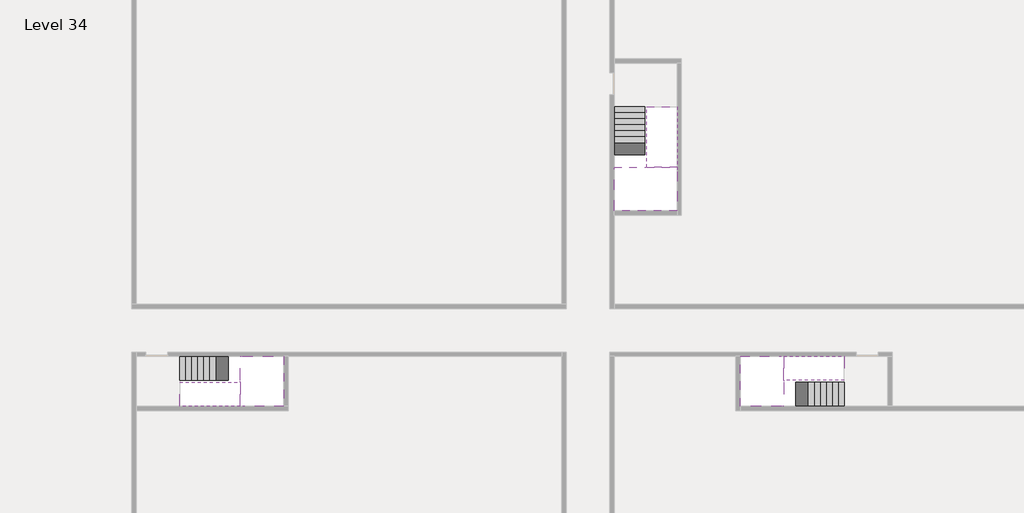
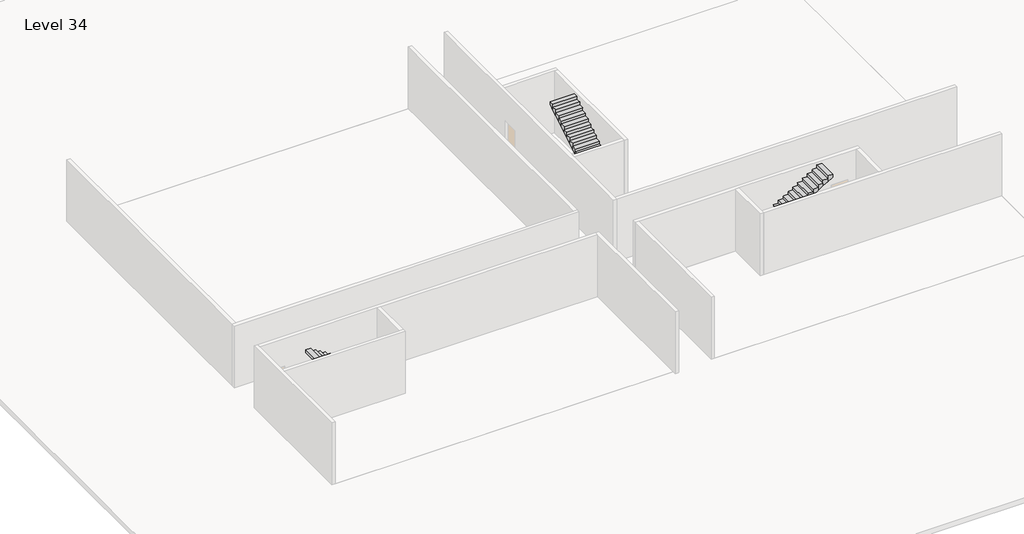
# One storey, part 2 of 2: 6 stair flights, 3 slabs.
"""IFC4 building model written with IfcOpenShell, lengths in millimetres."""

from ifc_helpers import new_model, si_unit, origin, place, context, project, spatial, faceted_brep, element, save

model = new_model("IFC4")

# Units and contexts
model_context = context("Model", 3, world=origin())
ifc_project = project(units=[si_unit("LENGTHUNIT", "METRE", prefix="MILLI")], contexts=[model_context])

# Site, building, storey
site = spatial("IfcSite", under=ifc_project)
building = spatial("IfcBuilding", under=site)
storey = spatial("IfcBuildingStorey", under=building, Name="Level 34", Elevation=125400.0)

# Slabs
placement = place(None, origin())
element("IfcSlab", 1, at=placement, inside=storey, context=model_context, shape_type="Brep", body=[
    faceted_brep([(8190.1058784, -42918.09644, 127300.0), (8190.1058784, -44018.09644, 127300.0), (8190.1058784, -44118.09644, 127300.0), (8190.1058784, -45218.09644, 127300.0), (8390.7194421, -45218.09644, 127300.0), (10190.1058784, -45218.09644, 127300.0), (10190.1058784, -42918.09644, 127300.0), (8269.4923146, -42918.09644, 127300.0), (8190.1058784, -42918.09644, 127127.2727273), (8190.1058784, -42918.09644, 126951.0278478), (8190.1058784, -44018.09644, 126951.0278478), (8190.1058784, -44018.09644, 127000.0), (8190.1058784, -44118.09644, 127000.0), (8190.1058784, -44118.09644, 127123.7551205), (8190.1058784, -45218.09644, 127123.7551205), (8390.7194421, -45218.09644, 127000.0), (10190.1058784, -45218.09644, 127000.0), (10190.1058784, -42918.09644, 127000.0), (8269.4923146, -42918.09644, 127000.0), (8390.7194421, -44118.09644, 127000.0), (8269.4923146, -44018.09644, 127000.0)], [[[0, 1, 2, 3, 4, 5, 6, 7]], [[1, 0, 8, 9, 10, 11]], [[2, 1, 11, 12, 13]], [[3, 2, 13, 14]], [[3, 14, 15, 16, 5, 4]], [[6, 5, 16, 17]], [[9, 8, 0, 7, 6, 17, 18]], [[19, 12, 11, 20, 18, 17, 16, 15]], [[12, 19, 13]], [[18, 20, 10, 9]], [[20, 11, 10]], [[19, 15, 14, 13]]]),
])
element("IfcSlab", 2, at=placement, inside=storey, context=model_context, shape_type="Brep", body=[
    faceted_brep([(33190.1058784, -45218.09644, 127300.0), (33190.1058784, -44118.09644, 127300.0), (33190.1058784, -44018.09644, 127300.0), (33190.1058784, -42918.09644, 127300.0), (32989.4923146, -42918.09644, 127300.0), (31190.1058784, -42918.09644, 127300.0), (31190.1058784, -45218.09644, 127300.0), (33110.7194421, -45218.09644, 127300.0), (33190.1058784, -45218.09644, 127127.2727273), (33190.1058784, -45218.09644, 126951.0278478), (33190.1058784, -44118.09644, 126951.0278478), (33190.1058784, -44118.09644, 127000.0), (33190.1058784, -44018.09644, 127000.0), (33190.1058784, -44018.09644, 127123.7551205), (33190.1058784, -42918.09644, 127123.7551205), (32989.4923146, -42918.09644, 127000.0), (31190.1058784, -42918.09644, 127000.0), (31190.1058784, -45218.09644, 127000.0), (33110.7194421, -45218.09644, 127000.0), (32989.4923146, -44018.09644, 127000.0), (33110.7194421, -44118.09644, 127000.0)], [[[0, 1, 2, 3, 4, 5, 6, 7]], [[1, 0, 8, 9, 10, 11]], [[2, 1, 11, 12, 13]], [[3, 2, 13, 14]], [[3, 14, 15, 16, 5, 4]], [[6, 5, 16, 17]], [[9, 8, 0, 7, 6, 17, 18]], [[19, 12, 11, 20, 18, 17, 16, 15]], [[12, 19, 13]], [[18, 20, 10, 9]], [[20, 11, 10]], [[19, 15, 14, 13]]]),
])
element("IfcSlab", 3, at=placement, inside=storey, context=model_context, shape_type="Brep", body=[
    faceted_brep([(26790.1058784, -34218.09644, 127300.0), (25390.1058784, -34218.09644, 127300.0), (25390.1058784, -34297.4828763, 127300.0), (25390.1058784, -36218.09644, 127300.0), (28290.1058784, -36218.09644, 127300.0), (28290.1058784, -34418.7100038, 127300.0), (28290.1058784, -34218.09644, 127300.0), (26890.1058784, -34218.09644, 127300.0), (26790.1058784, -34218.09644, 127000.0), (26790.1058784, -34218.09644, 126951.0278478), (25390.1058784, -34218.09644, 126951.0278478), (25390.1058784, -34218.09644, 127127.2727273), (25390.1058784, -34297.4828763, 127000.0), (25390.1058784, -36218.09644, 127000.0), (28290.1058784, -36218.09644, 127000.0), (28290.1058784, -34418.7100038, 127000.0), (28290.1058784, -34218.09644, 127123.7551205), (26890.1058784, -34218.09644, 127123.7551205), (26890.1058784, -34218.09644, 127000.0), (26890.1058784, -34418.7100038, 127000.0), (26790.1058784, -34297.4828763, 127000.0)], [[[0, 1, 2, 3, 4, 5, 6, 7]], [[1, 0, 8, 9, 10, 11]], [[1, 11, 10, 12, 13, 3, 2]], [[4, 3, 13, 14]], [[4, 14, 15, 16, 6, 5]], [[7, 6, 16, 17]], [[0, 7, 17, 18, 8]], [[18, 19, 15, 14, 13, 12, 20, 8]], [[19, 18, 17]], [[20, 12, 10, 9]], [[8, 20, 9]], [[15, 19, 17, 16]]]),
])

# Stair flights
element("IfcStairFlight", 4, at=placement, inside=storey, context=model_context, shape_type="Brep", body=[
    faceted_brep([(5670.1058784, -42918.09644, 125572.7272727), (5390.1058784, -42918.09644, 125572.7272727), (5390.1058784, -44018.09644, 125572.7272727), (5670.1058784, -44018.09644, 125572.7272727), (5670.1058784, -42918.09644, 125400.0), (5390.1058784, -42918.09644, 125400.0), (5390.1058784, -44018.09644, 125400.0), (5670.1058784, -44018.09644, 125400.0), (5950.1058784, -42918.09644, 125745.4545455), (5670.1058784, -42918.09644, 125745.4545455), (5670.1058784, -44018.09644, 125745.4545455), (5950.1058784, -44018.09644, 125745.4545455), (5950.1058784, -42918.09644, 125569.209666), (5675.8081041, -42918.09644, 125400.0), (5675.8081041, -44018.09644, 125400.0), (5950.1058784, -44018.09644, 125569.209666), (6230.1058784, -42918.09644, 125918.1818182), (5950.1058784, -42918.09644, 125918.1818182), (5950.1058784, -44018.09644, 125918.1818182), (6230.1058784, -44018.09644, 125918.1818182), (6230.1058784, -42918.09644, 125741.9369387), (6230.1058784, -44018.09644, 125741.9369387), (6510.1058784, -42918.09644, 126090.9090909), (6230.1058784, -42918.09644, 126090.9090909), (6230.1058784, -44018.09644, 126090.9090909), (6510.1058784, -44018.09644, 126090.9090909), (6510.1058784, -42918.09644, 125914.6642114), (6510.1058784, -44018.09644, 125914.6642114), (6790.1058784, -42918.09644, 126263.6363636), (6510.1058784, -42918.09644, 126263.6363636), (6510.1058784, -44018.09644, 126263.6363636), (6790.1058784, -44018.09644, 126263.6363636), (6790.1058784, -42918.09644, 126087.3914841), (6790.1058784, -44018.09644, 126087.3914841), (7070.1058784, -42918.09644, 126436.3636364), (6790.1058784, -42918.09644, 126436.3636364), (6790.1058784, -44018.09644, 126436.3636364), (7070.1058784, -44018.09644, 126436.3636364), (7070.1058784, -42918.09644, 126260.1187569), (7070.1058784, -44018.09644, 126260.1187569), (7350.1058784, -42918.09644, 126609.0909091), (7070.1058784, -42918.09644, 126609.0909091), (7070.1058784, -44018.09644, 126609.0909091), (7350.1058784, -44018.09644, 126609.0909091), (7350.1058784, -42918.09644, 126432.8460296), (7350.1058784, -44018.09644, 126432.8460296), (7630.1058784, -42918.09644, 126781.8181818), (7350.1058784, -42918.09644, 126781.8181818), (7350.1058784, -44018.09644, 126781.8181818), (7630.1058784, -44018.09644, 126781.8181818), (7630.1058784, -42918.09644, 126605.5733023), (7630.1058784, -44018.09644, 126605.5733023), (7910.1058784, -42918.09644, 126954.5454545), (7630.1058784, -42918.09644, 126954.5454545), (7630.1058784, -44018.09644, 126954.5454545), (7910.1058784, -44018.09644, 126954.5454545), (7910.1058784, -42918.09644, 126778.3005751), (7910.1058784, -44018.09644, 126778.3005751), (8190.1058784, -42918.09644, 127127.2727273), (7910.1058784, -42918.09644, 127127.2727273), (7910.1058784, -44018.09644, 127127.2727273), (8190.1058784, -44018.09644, 127127.2727273), (8190.1058784, -42918.09644, 126951.0278478), (8190.1058784, -44018.09644, 126951.0278478), (8190.1058784, -44018.09644, 127000.0)], [[[0, 1, 2, 3]], [[1, 0, 4, 5]], [[2, 1, 5, 6]], [[3, 2, 6, 7]], [[8, 9, 10, 11]], [[4, 0, 9, 8, 12, 13]], [[0, 3, 10, 9]], [[3, 7, 14, 15, 11, 10]], [[16, 17, 18, 19]], [[17, 16, 20, 12, 8]], [[8, 11, 18, 17]], [[19, 18, 11, 15, 21]], [[22, 23, 24, 25]], [[23, 22, 26, 20, 16]], [[16, 19, 24, 23]], [[25, 24, 19, 21, 27]], [[28, 29, 30, 31]], [[29, 28, 32, 26, 22]], [[22, 25, 30, 29]], [[31, 30, 25, 27, 33]], [[34, 35, 36, 37]], [[35, 34, 38, 32, 28]], [[28, 31, 36, 35]], [[37, 36, 31, 33, 39]], [[40, 41, 42, 43]], [[41, 40, 44, 38, 34]], [[34, 37, 42, 41]], [[43, 42, 37, 39, 45]], [[46, 47, 48, 49]], [[47, 46, 50, 44, 40]], [[40, 43, 48, 47]], [[49, 48, 43, 45, 51]], [[52, 53, 54, 55]], [[53, 52, 56, 50, 46]], [[46, 49, 54, 53]], [[55, 54, 49, 51, 57]], [[58, 59, 60, 61]], [[59, 58, 62, 56, 52]], [[52, 55, 60, 59]], [[61, 60, 55, 57, 63, 64]], [[58, 61, 64, 63, 62]], [[5, 4, 13, 14, 7, 6]], [[14, 13, 12, 20, 26, 32, 38, 44, 50, 56, 62, 63, 57, 51, 45, 39, 33, 27, 21, 15]]]),
])
element("IfcStairFlight", 5, at=placement, inside=storey, context=model_context, shape_type="Brep", body=[
    faceted_brep([(7910.1058784, -45218.09644, 127472.7272727), (8190.1058784, -45218.09644, 127472.7272727), (8190.1058784, -44118.09644, 127472.7272727), (7910.1058784, -44118.09644, 127472.7272727), (7910.1058784, -45218.09644, 127296.4823932), (8190.1058784, -45218.09644, 127123.7551205), (8190.1058784, -45218.09644, 127300.0), (8190.1058784, -44118.09644, 127123.7551205), (7910.1058784, -44118.09644, 127296.4823932), (7630.1058784, -45218.09644, 127645.4545455), (7910.1058784, -45218.09644, 127645.4545455), (7910.1058784, -44118.09644, 127645.4545455), (7630.1058784, -44118.09644, 127645.4545455), (7630.1058784, -45218.09644, 127469.209666), (7630.1058784, -44118.09644, 127469.209666), (7350.1058784, -45218.09644, 127818.1818182), (7630.1058784, -45218.09644, 127818.1818182), (7630.1058784, -44118.09644, 127818.1818182), (7350.1058784, -44118.09644, 127818.1818182), (7350.1058784, -45218.09644, 127641.9369387), (7350.1058784, -44118.09644, 127641.9369387), (7070.1058784, -45218.09644, 127990.9090909), (7350.1058784, -45218.09644, 127990.9090909), (7350.1058784, -44118.09644, 127990.9090909), (7070.1058784, -44118.09644, 127990.9090909), (7070.1058784, -45218.09644, 127814.6642114), (7070.1058784, -44118.09644, 127814.6642114), (6790.1058784, -45218.09644, 128163.6363636), (7070.1058784, -45218.09644, 128163.6363636), (7070.1058784, -44118.09644, 128163.6363636), (6790.1058784, -44118.09644, 128163.6363636), (6790.1058784, -45218.09644, 127987.3914841), (6790.1058784, -44118.09644, 127987.3914841), (6510.1058784, -45218.09644, 128336.3636364), (6790.1058784, -45218.09644, 128336.3636364), (6790.1058784, -44118.09644, 128336.3636364), (6510.1058784, -44118.09644, 128336.3636364), (6510.1058784, -45218.09644, 128160.1187569), (6510.1058784, -44118.09644, 128160.1187569), (6230.1058784, -45218.09644, 128509.0909091), (6510.1058784, -45218.09644, 128509.0909091), (6510.1058784, -44118.09644, 128509.0909091), (6230.1058784, -44118.09644, 128509.0909091), (6230.1058784, -45218.09644, 128332.8460296), (6230.1058784, -44118.09644, 128332.8460296), (5950.1058784, -45218.09644, 128681.8181818), (6230.1058784, -45218.09644, 128681.8181818), (6230.1058784, -44118.09644, 128681.8181818), (5950.1058784, -44118.09644, 128681.8181818), (5950.1058784, -45218.09644, 128505.5733023), (5950.1058784, -44118.09644, 128505.5733023), (5670.1058784, -45218.09644, 128854.5454545), (5950.1058784, -45218.09644, 128854.5454545), (5950.1058784, -44118.09644, 128854.5454545), (5670.1058784, -44118.09644, 128854.5454545), (5670.1058784, -45218.09644, 128678.3005751), (5670.1058784, -44118.09644, 128678.3005751), (5390.1058784, -45218.09644, 129027.2727273), (5670.1058784, -45218.09644, 129027.2727273), (5670.1058784, -44118.09644, 129027.2727273), (5390.1058784, -44118.09644, 129027.2727273), (5390.1058784, -45218.09644, 128851.0278478), (5390.1058784, -44118.09644, 128851.0278478)], [[[0, 1, 2, 3]], [[1, 0, 4, 5, 6]], [[2, 1, 6, 5, 7]], [[3, 2, 7, 8]], [[9, 10, 11, 12]], [[10, 9, 13, 4, 0]], [[11, 10, 0, 3]], [[12, 11, 3, 8, 14]], [[15, 16, 17, 18]], [[16, 15, 19, 13, 9]], [[17, 16, 9, 12]], [[18, 17, 12, 14, 20]], [[21, 22, 23, 24]], [[22, 21, 25, 19, 15]], [[23, 22, 15, 18]], [[24, 23, 18, 20, 26]], [[27, 28, 29, 30]], [[28, 27, 31, 25, 21]], [[29, 28, 21, 24]], [[30, 29, 24, 26, 32]], [[33, 34, 35, 36]], [[34, 33, 37, 31, 27]], [[35, 34, 27, 30]], [[36, 35, 30, 32, 38]], [[39, 40, 41, 42]], [[40, 39, 43, 37, 33]], [[41, 40, 33, 36]], [[42, 41, 36, 38, 44]], [[45, 46, 47, 48]], [[46, 45, 49, 43, 39]], [[47, 46, 39, 42]], [[48, 47, 42, 44, 50]], [[51, 52, 53, 54]], [[52, 51, 55, 49, 45]], [[53, 52, 45, 48]], [[54, 53, 48, 50, 56]], [[57, 58, 59, 60]], [[58, 57, 61, 55, 51]], [[59, 58, 51, 54]], [[60, 59, 54, 56, 62]], [[57, 60, 62, 61]], [[5, 4, 13, 19, 25, 31, 37, 43, 49, 55, 61, 62, 56, 50, 44, 38, 32, 26, 20, 14, 8, 7]]]),
])
element("IfcStairFlight", 6, at=placement, inside=storey, context=model_context, shape_type="Brep", body=[
    faceted_brep([(35710.1058784, -45218.09644, 125572.7272727), (35990.1058784, -45218.09644, 125572.7272727), (35990.1058784, -44118.09644, 125572.7272727), (35710.1058784, -44118.09644, 125572.7272727), (35710.1058784, -45218.09644, 125400.0), (35990.1058784, -45218.09644, 125400.0), (35990.1058784, -44118.09644, 125400.0), (35710.1058784, -44118.09644, 125400.0), (35430.1058784, -45218.09644, 125745.4545455), (35710.1058784, -45218.09644, 125745.4545455), (35710.1058784, -44118.09644, 125745.4545455), (35430.1058784, -44118.09644, 125745.4545455), (35430.1058784, -45218.09644, 125569.209666), (35704.4036527, -45218.09644, 125400.0), (35704.4036527, -44118.09644, 125400.0), (35430.1058784, -44118.09644, 125569.209666), (35150.1058784, -45218.09644, 125918.1818182), (35430.1058784, -45218.09644, 125918.1818182), (35430.1058784, -44118.09644, 125918.1818182), (35150.1058784, -44118.09644, 125918.1818182), (35150.1058784, -45218.09644, 125741.9369387), (35150.1058784, -44118.09644, 125741.9369387), (34870.1058784, -45218.09644, 126090.9090909), (35150.1058784, -45218.09644, 126090.9090909), (35150.1058784, -44118.09644, 126090.9090909), (34870.1058784, -44118.09644, 126090.9090909), (34870.1058784, -45218.09644, 125914.6642114), (34870.1058784, -44118.09644, 125914.6642114), (34590.1058784, -45218.09644, 126263.6363636), (34870.1058784, -45218.09644, 126263.6363636), (34870.1058784, -44118.09644, 126263.6363636), (34590.1058784, -44118.09644, 126263.6363636), (34590.1058784, -45218.09644, 126087.3914841), (34590.1058784, -44118.09644, 126087.3914841), (34310.1058784, -45218.09644, 126436.3636364), (34590.1058784, -45218.09644, 126436.3636364), (34590.1058784, -44118.09644, 126436.3636364), (34310.1058784, -44118.09644, 126436.3636364), (34310.1058784, -45218.09644, 126260.1187569), (34310.1058784, -44118.09644, 126260.1187569), (34030.1058784, -45218.09644, 126609.0909091), (34310.1058784, -45218.09644, 126609.0909091), (34310.1058784, -44118.09644, 126609.0909091), (34030.1058784, -44118.09644, 126609.0909091), (34030.1058784, -45218.09644, 126432.8460296), (34030.1058784, -44118.09644, 126432.8460296), (33750.1058784, -45218.09644, 126781.8181818), (34030.1058784, -45218.09644, 126781.8181818), (34030.1058784, -44118.09644, 126781.8181818), (33750.1058784, -44118.09644, 126781.8181818), (33750.1058784, -45218.09644, 126605.5733023), (33750.1058784, -44118.09644, 126605.5733023), (33470.1058784, -45218.09644, 126954.5454545), (33750.1058784, -45218.09644, 126954.5454545), (33750.1058784, -44118.09644, 126954.5454545), (33470.1058784, -44118.09644, 126954.5454545), (33470.1058784, -45218.09644, 126778.3005751), (33470.1058784, -44118.09644, 126778.3005751), (33190.1058784, -45218.09644, 127127.2727273), (33470.1058784, -45218.09644, 127127.2727273), (33470.1058784, -44118.09644, 127127.2727273), (33190.1058784, -44118.09644, 127127.2727273), (33190.1058784, -45218.09644, 126951.0278478), (33190.1058784, -44118.09644, 126951.0278478), (33190.1058784, -44118.09644, 127000.0)], [[[0, 1, 2, 3]], [[1, 0, 4, 5]], [[2, 1, 5, 6]], [[3, 2, 6, 7]], [[8, 9, 10, 11]], [[4, 0, 9, 8, 12, 13]], [[0, 3, 10, 9]], [[3, 7, 14, 15, 11, 10]], [[16, 17, 18, 19]], [[17, 16, 20, 12, 8]], [[8, 11, 18, 17]], [[19, 18, 11, 15, 21]], [[22, 23, 24, 25]], [[23, 22, 26, 20, 16]], [[16, 19, 24, 23]], [[25, 24, 19, 21, 27]], [[28, 29, 30, 31]], [[29, 28, 32, 26, 22]], [[22, 25, 30, 29]], [[31, 30, 25, 27, 33]], [[34, 35, 36, 37]], [[35, 34, 38, 32, 28]], [[28, 31, 36, 35]], [[37, 36, 31, 33, 39]], [[40, 41, 42, 43]], [[41, 40, 44, 38, 34]], [[34, 37, 42, 41]], [[43, 42, 37, 39, 45]], [[46, 47, 48, 49]], [[47, 46, 50, 44, 40]], [[40, 43, 48, 47]], [[49, 48, 43, 45, 51]], [[52, 53, 54, 55]], [[53, 52, 56, 50, 46]], [[46, 49, 54, 53]], [[55, 54, 49, 51, 57]], [[58, 59, 60, 61]], [[59, 58, 62, 56, 52]], [[52, 55, 60, 59]], [[61, 60, 55, 57, 63, 64]], [[58, 61, 64, 63, 62]], [[5, 4, 13, 14, 7, 6]], [[14, 13, 12, 20, 26, 32, 38, 44, 50, 56, 62, 63, 57, 51, 45, 39, 33, 27, 21, 15]]]),
])
element("IfcStairFlight", 7, at=placement, inside=storey, context=model_context, shape_type="Brep", body=[
    faceted_brep([(33470.1058784, -42918.09644, 127472.7272727), (33190.1058784, -42918.09644, 127472.7272727), (33190.1058784, -44018.09644, 127472.7272727), (33470.1058784, -44018.09644, 127472.7272727), (33470.1058784, -42918.09644, 127296.4823932), (33190.1058784, -42918.09644, 127123.7551205), (33190.1058784, -42918.09644, 127300.0), (33190.1058784, -44018.09644, 127123.7551205), (33470.1058784, -44018.09644, 127296.4823932), (33750.1058784, -42918.09644, 127645.4545455), (33470.1058784, -42918.09644, 127645.4545455), (33470.1058784, -44018.09644, 127645.4545455), (33750.1058784, -44018.09644, 127645.4545455), (33750.1058784, -42918.09644, 127469.209666), (33750.1058784, -44018.09644, 127469.209666), (34030.1058784, -42918.09644, 127818.1818182), (33750.1058784, -42918.09644, 127818.1818182), (33750.1058784, -44018.09644, 127818.1818182), (34030.1058784, -44018.09644, 127818.1818182), (34030.1058784, -42918.09644, 127641.9369387), (34030.1058784, -44018.09644, 127641.9369387), (34310.1058784, -42918.09644, 127990.9090909), (34030.1058784, -42918.09644, 127990.9090909), (34030.1058784, -44018.09644, 127990.9090909), (34310.1058784, -44018.09644, 127990.9090909), (34310.1058784, -42918.09644, 127814.6642114), (34310.1058784, -44018.09644, 127814.6642114), (34590.1058784, -42918.09644, 128163.6363636), (34310.1058784, -42918.09644, 128163.6363636), (34310.1058784, -44018.09644, 128163.6363636), (34590.1058784, -44018.09644, 128163.6363636), (34590.1058784, -42918.09644, 127987.3914841), (34590.1058784, -44018.09644, 127987.3914841), (34870.1058784, -42918.09644, 128336.3636364), (34590.1058784, -42918.09644, 128336.3636364), (34590.1058784, -44018.09644, 128336.3636364), (34870.1058784, -44018.09644, 128336.3636364), (34870.1058784, -42918.09644, 128160.1187569), (34870.1058784, -44018.09644, 128160.1187569), (35150.1058784, -42918.09644, 128509.0909091), (34870.1058784, -42918.09644, 128509.0909091), (34870.1058784, -44018.09644, 128509.0909091), (35150.1058784, -44018.09644, 128509.0909091), (35150.1058784, -42918.09644, 128332.8460296), (35150.1058784, -44018.09644, 128332.8460296), (35430.1058784, -42918.09644, 128681.8181818), (35150.1058784, -42918.09644, 128681.8181818), (35150.1058784, -44018.09644, 128681.8181818), (35430.1058784, -44018.09644, 128681.8181818), (35430.1058784, -42918.09644, 128505.5733023), (35430.1058784, -44018.09644, 128505.5733023), (35710.1058784, -42918.09644, 128854.5454545), (35430.1058784, -42918.09644, 128854.5454545), (35430.1058784, -44018.09644, 128854.5454545), (35710.1058784, -44018.09644, 128854.5454545), (35710.1058784, -42918.09644, 128678.3005751), (35710.1058784, -44018.09644, 128678.3005751), (35990.1058784, -42918.09644, 129027.2727273), (35710.1058784, -42918.09644, 129027.2727273), (35710.1058784, -44018.09644, 129027.2727273), (35990.1058784, -44018.09644, 129027.2727273), (35990.1058784, -42918.09644, 128851.0278478), (35990.1058784, -44018.09644, 128851.0278478)], [[[0, 1, 2, 3]], [[1, 0, 4, 5, 6]], [[2, 1, 6, 5, 7]], [[3, 2, 7, 8]], [[9, 10, 11, 12]], [[10, 9, 13, 4, 0]], [[11, 10, 0, 3]], [[12, 11, 3, 8, 14]], [[15, 16, 17, 18]], [[16, 15, 19, 13, 9]], [[17, 16, 9, 12]], [[18, 17, 12, 14, 20]], [[21, 22, 23, 24]], [[22, 21, 25, 19, 15]], [[23, 22, 15, 18]], [[24, 23, 18, 20, 26]], [[27, 28, 29, 30]], [[28, 27, 31, 25, 21]], [[29, 28, 21, 24]], [[30, 29, 24, 26, 32]], [[33, 34, 35, 36]], [[34, 33, 37, 31, 27]], [[35, 34, 27, 30]], [[36, 35, 30, 32, 38]], [[39, 40, 41, 42]], [[40, 39, 43, 37, 33]], [[41, 40, 33, 36]], [[42, 41, 36, 38, 44]], [[45, 46, 47, 48]], [[46, 45, 49, 43, 39]], [[47, 46, 39, 42]], [[48, 47, 42, 44, 50]], [[51, 52, 53, 54]], [[52, 51, 55, 49, 45]], [[53, 52, 45, 48]], [[54, 53, 48, 50, 56]], [[57, 58, 59, 60]], [[58, 57, 61, 55, 51]], [[59, 58, 51, 54]], [[60, 59, 54, 56, 62]], [[57, 60, 62, 61]], [[5, 4, 13, 19, 25, 31, 37, 43, 49, 55, 61, 62, 56, 50, 44, 38, 32, 26, 20, 14, 8, 7]]]),
])
element("IfcStairFlight", 8, at=placement, inside=storey, context=model_context, shape_type="Brep", body=[
    faceted_brep([(26790.1058784, -31698.09644, 125572.7272727), (26790.1058784, -31418.09644, 125572.7272727), (25390.1058784, -31418.09644, 125572.7272727), (25390.1058784, -31698.09644, 125572.7272727), (26790.1058784, -31698.09644, 125400.0), (26790.1058784, -31418.09644, 125400.0), (25390.1058784, -31418.09644, 125400.0), (25390.1058784, -31698.09644, 125400.0), (26790.1058784, -31978.09644, 125745.4545455), (26790.1058784, -31698.09644, 125745.4545455), (25390.1058784, -31698.09644, 125745.4545455), (25390.1058784, -31978.09644, 125745.4545455), (26790.1058784, -31978.09644, 125569.209666), (26790.1058784, -31703.7986657, 125400.0), (25390.1058784, -31703.7986657, 125400.0), (25390.1058784, -31978.09644, 125569.209666), (26790.1058784, -32258.09644, 125918.1818182), (26790.1058784, -31978.09644, 125918.1818182), (25390.1058784, -31978.09644, 125918.1818182), (25390.1058784, -32258.09644, 125918.1818182), (26790.1058784, -32258.09644, 125741.9369387), (25390.1058784, -32258.09644, 125741.9369387), (26790.1058784, -32538.09644, 126090.9090909), (26790.1058784, -32258.09644, 126090.9090909), (25390.1058784, -32258.09644, 126090.9090909), (25390.1058784, -32538.09644, 126090.9090909), (26790.1058784, -32538.09644, 125914.6642114), (25390.1058784, -32538.09644, 125914.6642114), (26790.1058784, -32818.09644, 126263.6363636), (26790.1058784, -32538.09644, 126263.6363636), (25390.1058784, -32538.09644, 126263.6363636), (25390.1058784, -32818.09644, 126263.6363636), (26790.1058784, -32818.09644, 126087.3914841), (25390.1058784, -32818.09644, 126087.3914841), (26790.1058784, -33098.09644, 126436.3636364), (26790.1058784, -32818.09644, 126436.3636364), (25390.1058784, -32818.09644, 126436.3636364), (25390.1058784, -33098.09644, 126436.3636364), (26790.1058784, -33098.09644, 126260.1187569), (25390.1058784, -33098.09644, 126260.1187569), (26790.1058784, -33378.09644, 126609.0909091), (26790.1058784, -33098.09644, 126609.0909091), (25390.1058784, -33098.09644, 126609.0909091), (25390.1058784, -33378.09644, 126609.0909091), (26790.1058784, -33378.09644, 126432.8460296), (25390.1058784, -33378.09644, 126432.8460296), (26790.1058784, -33658.09644, 126781.8181818), (26790.1058784, -33378.09644, 126781.8181818), (25390.1058784, -33378.09644, 126781.8181818), (25390.1058784, -33658.09644, 126781.8181818), (26790.1058784, -33658.09644, 126605.5733023), (25390.1058784, -33658.09644, 126605.5733023), (26790.1058784, -33938.09644, 126954.5454545), (26790.1058784, -33658.09644, 126954.5454545), (25390.1058784, -33658.09644, 126954.5454545), (25390.1058784, -33938.09644, 126954.5454545), (26790.1058784, -33938.09644, 126778.3005751), (25390.1058784, -33938.09644, 126778.3005751), (26790.1058784, -34218.09644, 127127.2727273), (26790.1058784, -33938.09644, 127127.2727273), (25390.1058784, -33938.09644, 127127.2727273), (25390.1058784, -34218.09644, 127127.2727273), (26790.1058784, -34218.09644, 127000.0), (26790.1058784, -34218.09644, 126951.0278478), (25390.1058784, -34218.09644, 126951.0278478)], [[[0, 1, 2, 3]], [[1, 0, 4, 5]], [[2, 1, 5, 6]], [[3, 2, 6, 7]], [[8, 9, 10, 11]], [[4, 0, 9, 8, 12, 13]], [[0, 3, 10, 9]], [[3, 7, 14, 15, 11, 10]], [[16, 17, 18, 19]], [[17, 16, 20, 12, 8]], [[8, 11, 18, 17]], [[19, 18, 11, 15, 21]], [[22, 23, 24, 25]], [[23, 22, 26, 20, 16]], [[16, 19, 24, 23]], [[25, 24, 19, 21, 27]], [[28, 29, 30, 31]], [[29, 28, 32, 26, 22]], [[22, 25, 30, 29]], [[31, 30, 25, 27, 33]], [[34, 35, 36, 37]], [[35, 34, 38, 32, 28]], [[28, 31, 36, 35]], [[37, 36, 31, 33, 39]], [[40, 41, 42, 43]], [[41, 40, 44, 38, 34]], [[34, 37, 42, 41]], [[43, 42, 37, 39, 45]], [[46, 47, 48, 49]], [[47, 46, 50, 44, 40]], [[40, 43, 48, 47]], [[49, 48, 43, 45, 51]], [[52, 53, 54, 55]], [[53, 52, 56, 50, 46]], [[46, 49, 54, 53]], [[55, 54, 49, 51, 57]], [[58, 59, 60, 61]], [[59, 58, 62, 63, 56, 52]], [[52, 55, 60, 59]], [[61, 60, 55, 57, 64]], [[58, 61, 64, 63, 62]], [[5, 4, 13, 14, 7, 6]], [[14, 13, 12, 20, 26, 32, 38, 44, 50, 56, 63, 64, 57, 51, 45, 39, 33, 27, 21, 15]]]),
])
element("IfcStairFlight", 9, at=placement, inside=storey, context=model_context, shape_type="Brep", body=[
    faceted_brep([(26890.1058784, -33938.09644, 127472.7272727), (26890.1058784, -34218.09644, 127472.7272727), (28290.1058784, -34218.09644, 127472.7272727), (28290.1058784, -33938.09644, 127472.7272727), (26890.1058784, -33938.09644, 127296.4823932), (26890.1058784, -34218.09644, 127123.7551205), (28290.1058784, -34218.09644, 127123.7551205), (28290.1058784, -34218.09644, 127300.0), (28290.1058784, -33938.09644, 127296.4823932), (26890.1058784, -33658.09644, 127645.4545455), (26890.1058784, -33938.09644, 127645.4545455), (28290.1058784, -33938.09644, 127645.4545455), (28290.1058784, -33658.09644, 127645.4545455), (26890.1058784, -33658.09644, 127469.209666), (28290.1058784, -33658.09644, 127469.209666), (26890.1058784, -33378.09644, 127818.1818182), (26890.1058784, -33658.09644, 127818.1818182), (28290.1058784, -33658.09644, 127818.1818182), (28290.1058784, -33378.09644, 127818.1818182), (26890.1058784, -33378.09644, 127641.9369387), (28290.1058784, -33378.09644, 127641.9369387), (26890.1058784, -33098.09644, 127990.9090909), (26890.1058784, -33378.09644, 127990.9090909), (28290.1058784, -33378.09644, 127990.9090909), (28290.1058784, -33098.09644, 127990.9090909), (26890.1058784, -33098.09644, 127814.6642114), (28290.1058784, -33098.09644, 127814.6642114), (26890.1058784, -32818.09644, 128163.6363636), (26890.1058784, -33098.09644, 128163.6363636), (28290.1058784, -33098.09644, 128163.6363636), (28290.1058784, -32818.09644, 128163.6363636), (26890.1058784, -32818.09644, 127987.3914841), (28290.1058784, -32818.09644, 127987.3914841), (26890.1058784, -32538.09644, 128336.3636364), (26890.1058784, -32818.09644, 128336.3636364), (28290.1058784, -32818.09644, 128336.3636364), (28290.1058784, -32538.09644, 128336.3636364), (26890.1058784, -32538.09644, 128160.1187569), (28290.1058784, -32538.09644, 128160.1187569), (26890.1058784, -32258.09644, 128509.0909091), (26890.1058784, -32538.09644, 128509.0909091), (28290.1058784, -32538.09644, 128509.0909091), (28290.1058784, -32258.09644, 128509.0909091), (26890.1058784, -32258.09644, 128332.8460296), (28290.1058784, -32258.09644, 128332.8460296), (26890.1058784, -31978.09644, 128681.8181818), (26890.1058784, -32258.09644, 128681.8181818), (28290.1058784, -32258.09644, 128681.8181818), (28290.1058784, -31978.09644, 128681.8181818), (26890.1058784, -31978.09644, 128505.5733023), (28290.1058784, -31978.09644, 128505.5733023), (26890.1058784, -31698.09644, 128854.5454545), (26890.1058784, -31978.09644, 128854.5454545), (28290.1058784, -31978.09644, 128854.5454545), (28290.1058784, -31698.09644, 128854.5454545), (26890.1058784, -31698.09644, 128678.3005751), (28290.1058784, -31698.09644, 128678.3005751), (26890.1058784, -31418.09644, 129027.2727273), (26890.1058784, -31698.09644, 129027.2727273), (28290.1058784, -31698.09644, 129027.2727273), (28290.1058784, -31418.09644, 129027.2727273), (26890.1058784, -31418.09644, 128851.0278478), (28290.1058784, -31418.09644, 128851.0278478)], [[[0, 1, 2, 3]], [[1, 0, 4, 5]], [[2, 1, 5, 6, 7]], [[3, 2, 7, 6, 8]], [[9, 10, 11, 12]], [[10, 9, 13, 4, 0]], [[11, 10, 0, 3]], [[12, 11, 3, 8, 14]], [[15, 16, 17, 18]], [[16, 15, 19, 13, 9]], [[17, 16, 9, 12]], [[18, 17, 12, 14, 20]], [[21, 22, 23, 24]], [[22, 21, 25, 19, 15]], [[23, 22, 15, 18]], [[24, 23, 18, 20, 26]], [[27, 28, 29, 30]], [[28, 27, 31, 25, 21]], [[29, 28, 21, 24]], [[30, 29, 24, 26, 32]], [[33, 34, 35, 36]], [[34, 33, 37, 31, 27]], [[35, 34, 27, 30]], [[36, 35, 30, 32, 38]], [[39, 40, 41, 42]], [[40, 39, 43, 37, 33]], [[41, 40, 33, 36]], [[42, 41, 36, 38, 44]], [[45, 46, 47, 48]], [[46, 45, 49, 43, 39]], [[47, 46, 39, 42]], [[48, 47, 42, 44, 50]], [[51, 52, 53, 54]], [[52, 51, 55, 49, 45]], [[53, 52, 45, 48]], [[54, 53, 48, 50, 56]], [[57, 58, 59, 60]], [[58, 57, 61, 55, 51]], [[59, 58, 51, 54]], [[60, 59, 54, 56, 62]], [[57, 60, 62, 61]], [[5, 4, 13, 19, 25, 31, 37, 43, 49, 55, 61, 62, 56, 50, 44, 38, 32, 26, 20, 14, 8, 6]]]),
])

save(model, "model.ifc")
